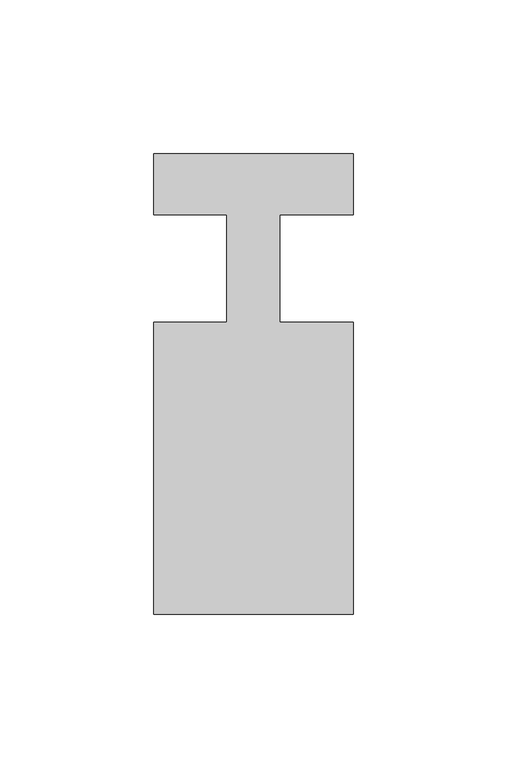
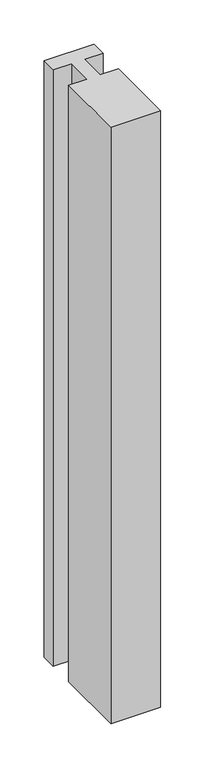
"""IFC4 building model written with IfcOpenShell, lengths in millimetres: member geometry."""

from ifc_helpers import new_model, si_unit, frame, origin, place, context, project, spatial, polyline, outline, extrude, source, transform, mapped, element, save


def member_c218fc04(model_context):
    return source(origin(), model_context, "Body", "SweptSolid", [
        extrude(outline(polyline([(-65.0, 37.0), (0.0, 37.0), (0.0, 17.0), (-23.8125, 17.0), (-23.8125, -18.0), (0.0, -18.0), (0.0, -113.0), (-65.0, -113.0), (-65.0, -18.0), (-41.1875, -18.0), (-41.1875, 17.0), (-65.0, 17.0), (-65.0, 37.0)])), frame((0.0, 0.0, -820.0), z_axis=(0.0, 0.0, 1.0), x_axis=(1.0, 0.0, 0.0)), (0.0, 0.0, 1.0), 820.0),
    ])


if __name__ == "__main__":
    model = new_model("IFC4")
    model_context = context("Model", 3, world=origin())
    ifc_project = project(units=[si_unit("LENGTHUNIT", "METRE", prefix="MILLI")], contexts=[model_context])
    site = spatial("IfcSite", under=ifc_project)
    building = spatial("IfcBuilding", under=site)
    placement = place(None, origin())
    member_shape = member_c218fc04(model_context)
    element("IfcMember", 1, at=placement, inside=building, context=model_context, shape_type="MappedRepresentation", body=[
        mapped(member_shape, transform((0.0, 0.0, 0.0), x_axis=(1.0, 0.0, 0.0), y_axis=(0.0, 1.0, 0.0), z_axis=(0.0, 0.0, 1.0))),
    ])
    save(model, "model.ifc")
